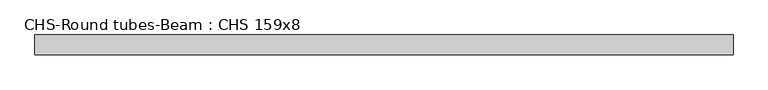
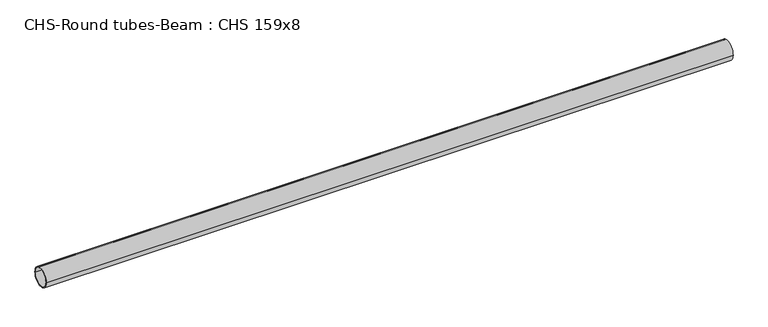
"""IFC4 building model written with IfcOpenShell, lengths in millimetres: beam geometry, CHS-Round tubes-Beam : CHS 159x8."""

from ifc_helpers import new_model, si_unit, point, frame, origin, origin_2d, place, context, project, spatial, circle_curve, trimmed, segment, composite_curve, outline, extrude, source, transform, mapped, element, save


def chs_round_tubes_beam_chs_159x8_9e198711(model_context):
    return source(origin(), model_context, "Body", "SweptSolid", [
        extrude(outline(composite_curve([segment(trimmed(circle_curve(origin_2d(), 79.5), [point((79.5, 0.0))], [point((-79.5, 0.0))], False, "CARTESIAN"), True, "CONTINUOUS"), segment(trimmed(circle_curve(origin_2d(), 79.5), [point((-79.5, 0.0))], [point((79.5, 0.0))], False, "CARTESIAN"), True, "CONTINUOUS")], self_intersect=False), holes=[composite_curve([segment(trimmed(circle_curve(origin_2d(), 71.5), [point((71.5, 0.0))], [point((-71.5, 0.0))], True, "CARTESIAN"), True, "CONTINUOUS"), segment(trimmed(circle_curve(origin_2d(), 71.5), [point((-71.5, 0.0))], [point((71.5, 0.0))], True, "CARTESIAN"), True, "CONTINUOUS")], self_intersect=False)]), frame((-2806.7393274, 0.0, 0.0), z_axis=(1.0, 0.0, 0.0), x_axis=(0.0, 1.0, 0.0)), (0.0, 0.0, 1.0), 5609.3971126),
    ])


if __name__ == "__main__":
    model = new_model("IFC4")
    model_context = context("Model", 3, world=origin())
    ifc_project = project(units=[si_unit("LENGTHUNIT", "METRE", prefix="MILLI")], contexts=[model_context])
    site = spatial("IfcSite", under=ifc_project)
    building = spatial("IfcBuilding", under=site)
    placement = place(None, origin())
    chs_round_tubes_beam_chs_159x8_shape = chs_round_tubes_beam_chs_159x8_9e198711(model_context)
    element("IfcBeam", 1, ObjectType="CHS-Round tubes-Beam : CHS 159x8", at=placement, inside=building, context=model_context, shape_type="MappedRepresentation", body=[
        mapped(chs_round_tubes_beam_chs_159x8_shape, transform((0.0, 0.0, 0.0), x_axis=(1.0, 0.0, 0.0), y_axis=(0.0, 1.0, 0.0), z_axis=(0.0, 0.0, 1.0))),
    ])
    save(model, "model.ifc")
